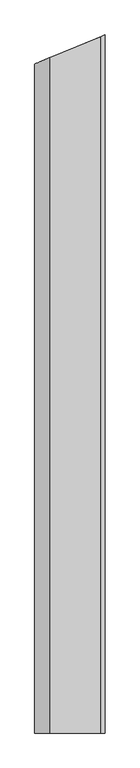
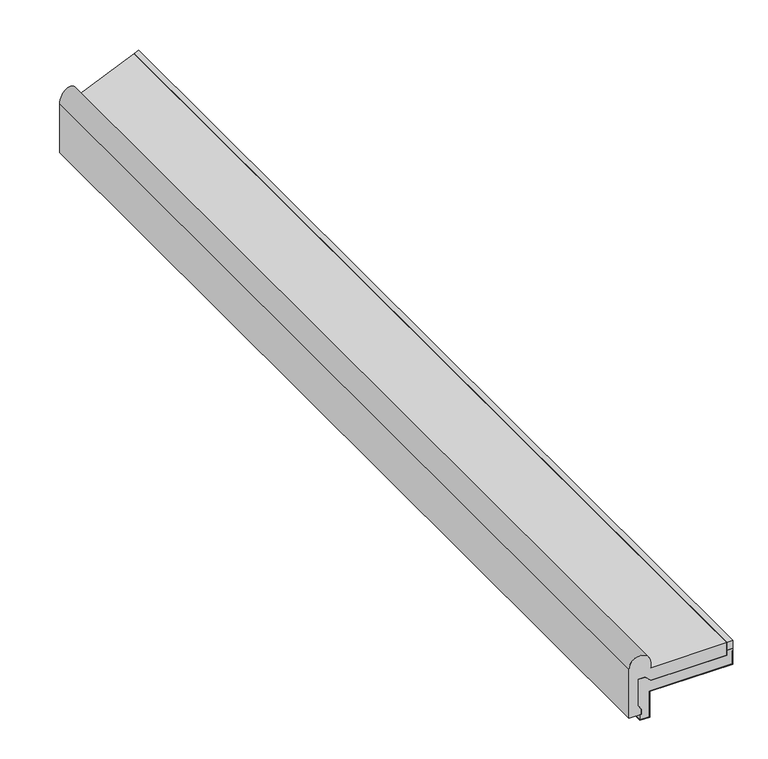
"""IFC4 building model written with IfcOpenShell, lengths in millimetres: proxy geometry."""

from ifc_helpers import new_model, si_unit, frame, origin, place, context, project, spatial, polyline, circle_curve, ellipse_curve, outline, extrude, faceted_brep, source, transform, mapped, element, save
from ifc_brep_helpers import plane_surface, cylinder_surface, advanced_brep


def generic_models_affbc81b(model_context):
    return source(origin(), model_context, "Body", "SolidModel", [
        extrude(outline(polyline([(191.0, -948.3515883), (180.0, -948.3515883), (180.0, 943.7952391), (191.0, 948.3515883), (191.0, -948.3515883)])), frame((0.0, 0.0, 81.0), z_axis=(0.0, 0.0, 1.0), x_axis=(1.0, 0.0, 0.0)), (0.0, 0.0, 1.0), 15.0),
        faceted_brep([(190.0, 947.9373747, 51.0), (190.0, 947.9373747, 76.0), (191.0, 948.3515883, 76.0), (191.0, 948.3515883, 50.0), (38.5062786, 885.1866207, 50.0), (38.5062786, 885.1866207, 0.0), (20.0, 877.5210691, 0.0), (20.0, 877.5210691, 1.0), (37.5062786, 884.7724071, 1.0), (37.5062786, 884.7724071, 51.0), (190.0, -948.3515883, 51.0), (190.0, -948.3515883, 76.0), (191.0, -948.3515883, 76.0), (191.0, -948.3515883, 50.0), (38.5062786, -948.3515883, 50.0), (38.5062786, -948.3515883, 0.0), (20.0, -948.3515883, 0.0), (20.0, -948.3515883, 1.0), (37.5062786, -948.3515883, 1.0), (37.5062786, -948.3515883, 51.0)], [[[0, 1, 2, 3, 4, 5, 6, 7, 8, 9]], [[10, 11, 1, 0]], [[11, 12, 2, 1]], [[12, 13, 3, 2]], [[13, 14, 4, 3]], [[14, 15, 5, 4]], [[15, 16, 6, 5]], [[16, 17, 7, 6]], [[17, 18, 8, 7]], [[18, 19, 9, 8]], [[19, 10, 0, 9]], [[10, 19, 18, 17, 16, 15, 14, 13, 12, 11]]]),
        faceted_brep([(22.5, 878.556603, 21.0), (17.5062786, 876.4881359, 29.6493791), (17.5062786, 876.4881359, 81.0), (30.0, 881.6632047, 81.0), (40.0, 885.8053403, 71.0), (180.0, 943.7952391, 71.0), (180.0, 943.7952391, 81.0), (191.0, 948.3515883, 81.0), (191.0, 948.3515883, 76.0), (190.0, 947.9373747, 76.0), (190.0, 947.9373747, 51.0), (37.5062786, 884.7724071, 51.0), (37.5062786, 884.7724071, 1.0), (20.0, 877.5210691, 1.0), (20.0, 877.5210691, 11.0), (22.5, 878.556603, 11.0), (22.5, -948.3515883, 21.0), (17.5062786, -948.3515883, 29.6493791), (17.5062786, -948.3515883, 81.0), (30.0, -948.3515883, 81.0), (40.0, -948.3515883, 71.0), (180.0, -948.3515883, 71.0), (180.0, -948.3515883, 81.0), (191.0, -948.3515883, 81.0), (190.0, -948.3515883, 76.0), (190.0, -948.3515883, 51.0), (37.5062786, -948.3515883, 51.0), (37.5062786, -948.3515883, 1.0), (20.0, -948.3515883, 1.0), (20.0, -948.3515883, 11.0), (22.5, -948.3515883, 11.0), (191.0, -948.3515883, 76.0)], [[[0, 1, 2, 3, 4, 5, 6, 7, 8, 9, 10, 11, 12, 13, 14, 15]], [[16, 17, 1, 0]], [[17, 18, 2, 1]], [[18, 19, 3, 2]], [[19, 20, 4, 3]], [[20, 21, 5, 4]], [[21, 22, 6, 5]], [[22, 23, 7, 6]], [[24, 25, 10, 9]], [[25, 26, 11, 10]], [[26, 27, 12, 11]], [[27, 28, 13, 12]], [[28, 29, 14, 13]], [[29, 30, 15, 14]], [[30, 16, 0, 15]], [[23, 31, 8, 7]], [[31, 24, 9, 8]], [[16, 30, 29, 28, 27, 26, 25, 24, 31, 23, 22, 21, 20, 19, 18, 17]]]),
        advanced_brep(
        [(40.0, -948.3515883, 96.0), (180.0, -948.3515883, 96.0), (180.0, 943.7952391, 96.0), (40.0, 885.8053403, 96.0), (180.0, -948.3515883, 71.0), (180.0, 943.7952391, 71.0), (40.0, -948.3515883, 71.0), (40.0, 885.8053403, 71.0), (30.0, -948.3515883, 81.0), (30.0, 881.6632047, 81.0), (17.5062786, -948.3515883, 81.0), (17.5062786, 876.4881359, 81.0), (17.5062786, -948.3515883, 29.6493791), (17.5062786, 876.4881359, 29.6493791), (22.5, -948.3515883, 21.0), (22.5, 878.556603, 21.0), (22.5, -948.3515883, 11.0), (22.5, 878.556603, 11.0), (0.0, -948.3515883, 11.0), (0.0, 869.2367978, 11.0), (0.0, -948.3515883, 106.0), (0.0, 869.2367978, 106.0), (40.0, -948.3515883, 106.0), (40.0, 885.8053403, 106.0), (20.0, 877.5210691, 126.0)],
        [
            (0, 1),
            (1, 2),
            (2, 3),
            (3, 0),
            (1, 4),
            (4, 5),
            (5, 2),
            (4, 6),
            (6, 7),
            (7, 5),
            (6, 8),
            (8, 9),
            (9, 7),
            (8, 10),
            (10, 11),
            (11, 9),
            (10, 12),
            (12, 13),
            (13, 11),
            (12, 14),
            (14, 15),
            (15, 13),
            (14, 16),
            (16, 17),
            (17, 15),
            (16, 18),
            (18, 19),
            (19, 17),
            (18, 20),
            (20, 21),
            (21, 19),
            (20, 22, circle_curve(frame((20.0, -948.3515883, 106.0), z_axis=(0.0, 1.0, 0.0), x_axis=(1.0, 0.0, 0.0)), 20.0)),
            (22, 23),
            (23, 24, ellipse_curve(frame((20.0, 877.5210691, 106.0), z_axis=(0.3826834323650894, -0.923879532511287, 0.0), x_axis=(0.923879532511287, 0.38268343236508934, 0.0)), 21.647844, 20.0)),
            (24, 21, ellipse_curve(frame((20.0, 877.5210691, 106.0), z_axis=(0.3826834323650894, -0.923879532511287, 0.0), x_axis=(0.923879532511287, 0.38268343236508934, 0.0)), 21.647844, 20.0)),
            (22, 0),
            (3, 23),
        ],
        [
            plane_surface(frame((40.0, 948.3515883, 96.0), z_axis=(0.0, 0.0, 1.0), x_axis=(0.0, -1.0, 0.0))),
            plane_surface(frame((180.0, 948.3515883, 96.0), z_axis=(1.0, 0.0, 0.0), x_axis=(0.0, -1.0, 0.0))),
            plane_surface(frame((180.0, 948.3515883, 71.0), z_axis=(0.0, 0.0, -1.0), x_axis=(0.0, -1.0, 0.0))),
            plane_surface(frame((40.0, 948.3515883, 71.0), z_axis=(-0.7071067811865497, 0.0, -0.7071067811865455), x_axis=(0.0, -1.0, 0.0))),
            plane_surface(frame((30.0, 948.3515883, 81.0), z_axis=(0.0, 0.0, -1.0), x_axis=(0.0, -1.0, 0.0))),
            plane_surface(frame((17.5062786, 948.3515883, 81.0), z_axis=(1.0, 0.0, 0.0), x_axis=(0.0, -1.0, 0.0))),
            plane_surface(frame((17.5062786, 948.3515883, 29.6493791), z_axis=(0.8660254037844387, 0.0, 0.5), x_axis=(0.0, -1.0, 0.0))),
            plane_surface(frame((22.5, 948.3515883, 21.0), z_axis=(1.0, 0.0, 0.0), x_axis=(0.0, -1.0, 0.0))),
            plane_surface(frame((22.5, 948.3515883, 11.0), z_axis=(0.0, 0.0, -1.0), x_axis=(0.0, -1.0, 0.0))),
            plane_surface(frame((0.0, 948.3515883, 11.0), z_axis=(-1.0, 0.0, 0.0), x_axis=(0.0, -1.0, 0.0))),
            cylinder_surface(frame((20.0, 948.3515883, 106.0), z_axis=(0.0, 1.0, 0.0), x_axis=(1.0, 0.0, 0.0)), 20.0),
            plane_surface(frame((40.0, 948.3515883, 106.0), z_axis=(1.0, 0.0, 0.0), x_axis=(0.0, -1.0, 0.0))),
            plane_surface(frame((0.0, 869.2367978, 126.0), z_axis=(-0.3826834323650894, 0.923879532511287, 0.0), x_axis=(0.0, 0.0, -1.0))),
            plane_surface(frame((0.0, -948.3515883, 0.0), z_axis=(0.0, -1.0, 0.0), x_axis=(0.0, 0.0, 1.0))),
        ],
        [
            (0, [[1, 2, 3, 4]]),
            (1, [[5, 6, 7, -2]]),
            (2, [[8, 9, 10, -6]]),
            (3, [[11, 12, 13, -9]]),
            (4, [[14, 15, 16, -12]]),
            (5, [[17, 18, 19, -15]]),
            (6, [[20, 21, 22, -18]]),
            (7, [[23, 24, 25, -21]]),
            (8, [[26, 27, 28, -24]]),
            (9, [[29, 30, 31, -27]]),
            (10, [[32, 33, 34, 35, -30]]),
            (11, [[36, -4, 37, -33]]),
            (12, [[-3, -7, -10, -13, -16, -19, -22, -25, -28, -31, -35, -34, -37]]),
            (13, [[-36, -32, -29, -26, -23, -20, -17, -14, -11, -8, -5, -1]]),
        ],
    ),
    ])


if __name__ == "__main__":
    model = new_model("IFC4")
    model_context = context("Model", 3, world=origin())
    ifc_project = project(units=[si_unit("LENGTHUNIT", "METRE", prefix="MILLI")], contexts=[model_context])
    site = spatial("IfcSite", under=ifc_project)
    building = spatial("IfcBuilding", under=site)
    placement = place(None, origin())
    generic_models_shape = generic_models_affbc81b(model_context)
    element("IfcBuildingElementProxy", 1, Name="Generic Models", at=placement, inside=building, context=model_context, shape_type="MappedRepresentation", body=[
        mapped(generic_models_shape, transform((0.0, 0.0, 0.0), x_axis=(1.0, 0.0, 0.0), y_axis=(0.0, 1.0, 0.0), z_axis=(0.0, 0.0, 1.0))),
    ])
    save(model, "model.ifc")
